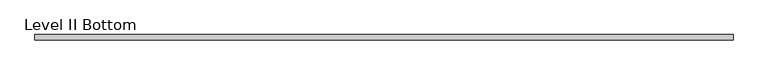
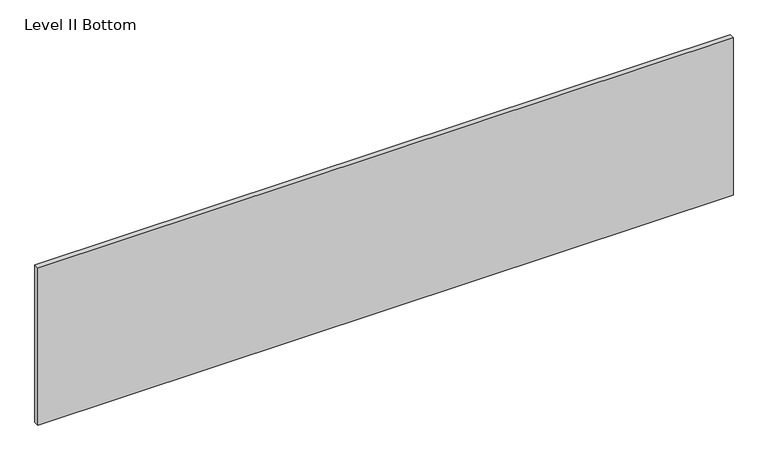
"""IFC4 building model written with IfcOpenShell, lengths in millimetres: proxy geometry, Level II Bottom."""

from ifc_helpers import new_model, si_unit, frame, origin, place, context, project, spatial, polyline, outline, extrude, source, transform, mapped, element, save


def level_ii_bottom_6d1693ca(model_context):
    return source(origin(), model_context, "Body", "SweptSolid", [
        extrude(outline(polyline([(1259.8356344, 9.525), (1259.8356344, -9.525), (-1259.8356344, -9.525), (-1259.8356344, 9.525), (1259.8356344, 9.525)])), frame((0.0, 0.0, 3.175), z_axis=(0.0, 0.0, 1.0), x_axis=(1.0, 0.0, 0.0)), (0.0, 0.0, 1.0), 603.25),
    ])


if __name__ == "__main__":
    model = new_model("IFC4")
    model_context = context("Model", 3, world=origin())
    ifc_project = project(units=[si_unit("LENGTHUNIT", "METRE", prefix="MILLI")], contexts=[model_context])
    site = spatial("IfcSite", under=ifc_project)
    building = spatial("IfcBuilding", under=site)
    placement = place(None, origin())
    level_ii_bottom_shape = level_ii_bottom_6d1693ca(model_context)
    element("IfcBuildingElementProxy", 1, Name="Level II Bottom", ObjectType="Level II Bottom", at=placement, inside=building, context=model_context, shape_type="MappedRepresentation", body=[
        mapped(level_ii_bottom_shape, transform((0.0, 0.0, 0.0), x_axis=(1.0, 0.0, 0.0), y_axis=(0.0, 1.0, 0.0), z_axis=(0.0, 0.0, 1.0))),
    ])
    save(model, "model.ifc")
